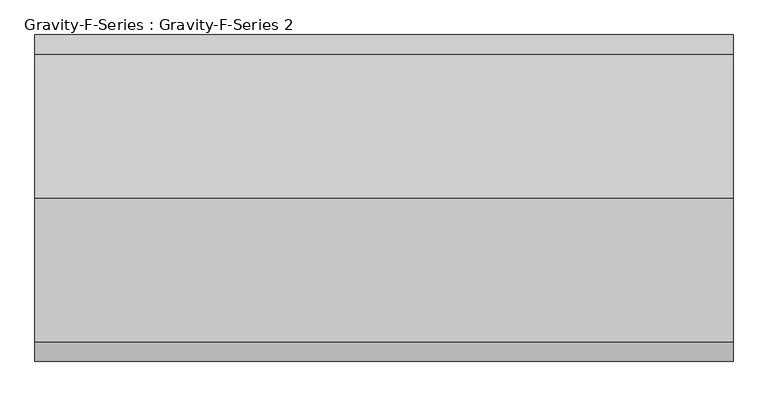
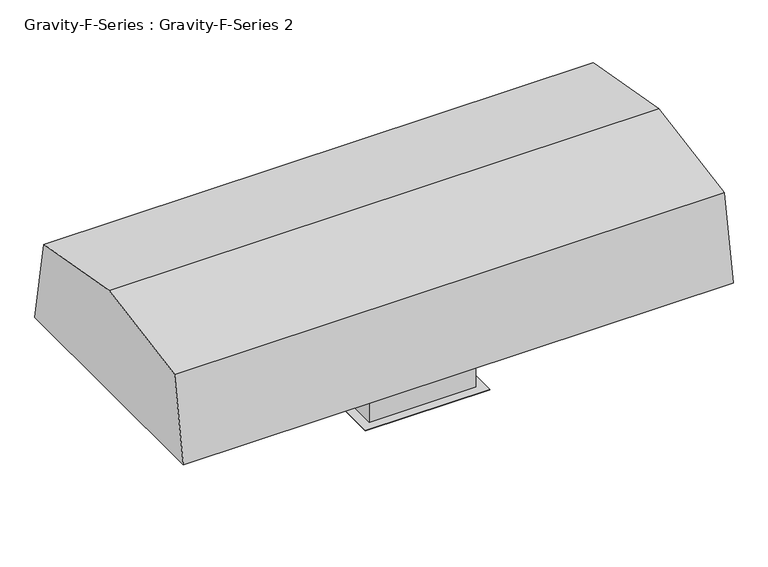
"""IFC4 building model written with IfcOpenShell, lengths in millimetres: proxy geometry, Gravity-F-Series : Gravity-F-Series 2."""

from ifc_helpers import new_model, si_unit, frame, origin, origin_with_axes, place, context, project, spatial, polyline, outline, extrude, faceted_brep, source, transform, mapped, element, save


def gravity_f_series_gravity_f_series_2_7aa4f40e(model_context):
    return source(origin(), model_context, "Body", "SolidModel", [
        faceted_brep([(253.0424473, 397.7765442, 298.45), (-356.5575527, 397.7765442, 298.45), (-356.5575527, -364.2234558, 298.45), (253.0424473, -364.2234558, 298.45), (-331.1575527, 372.3765442, 298.45), (227.6424473, 372.3765442, 298.45), (227.6424473, -335.6484558, 298.45), (-331.1575527, -335.6484558, 298.45), (253.0424473, 397.7765442, 0.0), (253.0424473, -364.2234558, 0.0), (-356.5575527, -364.2234558, 0.0), (-356.5575527, 397.7765442, 0.0), (249.8674473, -361.0484558, 0.0), (249.8674473, 394.9543219, 0.0), (-353.3825527, 394.9543219, 0.0), (-353.3825527, -361.0484558, 0.0), (253.0424473, 397.7765442, 273.05), (-356.5575527, 397.7765442, 273.05), (-356.5575527, -364.2234558, 273.05), (253.0424473, -364.2234558, 273.05), (249.8674473, -361.0484558, 273.05), (249.8674473, 394.9543219, 273.05), (-353.3825527, -361.0484558, 273.05), (-353.3825527, 394.9543219, 273.05), (-331.1575527, 372.3765442, 273.05), (-331.1575527, -335.6484558, 273.05), (227.6424473, -335.6484558, 273.05), (227.6424473, 372.3765442, 273.05)], [[[0, 1, 2, 3], [4, 5, 6, 7]], [[8, 9, 10, 11], [12, 13, 14, 15]], [[1, 0, 16, 8, 11, 17]], [[2, 1, 17, 11, 10, 18]], [[3, 2, 18, 10, 9, 19]], [[0, 3, 19, 9, 8, 16]], [[13, 12, 20, 21]], [[12, 15, 22, 20]], [[15, 14, 23, 22]], [[14, 13, 21, 23]], [[21, 20, 22, 23], [24, 25, 26, 27]], [[5, 4, 24, 27]], [[6, 5, 27, 26]], [[7, 6, 26, 25]], [[4, 7, 25, 24]]]),
        extrude(outline(polyline([(-407.3575527, -415.0234558), (-407.3575527, 448.5765442), (303.8424473, 448.5765442), (303.8424473, -415.0234558), (-407.3575527, -415.0234558)]), holes=[polyline([(-356.5575527, 397.7765442), (-356.5575527, -364.2234558), (253.0424473, -364.2234558), (253.0424473, 397.7765442), (-356.5575527, 397.7765442)])]), origin_with_axes(), (0.0, 0.0, 1.0), 3.175),
        faceted_brep([(265.7424473, 410.4765442, 304.8), (-369.2575527, 410.4765442, 304.8), (-369.2575527, -376.9234558, 304.8), (265.7424473, -376.9234558, 304.8), (265.7424473, 410.4765442, 260.35), (265.7424473, -376.9234558, 260.35), (-369.2575527, -376.9234558, 260.35), (-369.2575527, 410.4765442, 260.35), (262.5674473, -373.7484558, 260.35), (262.5674473, 407.3015442, 260.35), (-366.0825527, 407.3015442, 260.35), (-366.0825527, -373.7484558, 260.35), (262.5674473, 407.3015442, 301.625), (262.5674473, -373.7484558, 301.625), (-366.0825527, -373.7484558, 301.625), (-366.0825527, 407.3015442, 301.625)], [[[0, 1, 2, 3]], [[4, 5, 6, 7], [8, 9, 10, 11]], [[1, 0, 4, 7]], [[2, 1, 7, 6]], [[3, 2, 6, 5]], [[0, 3, 5, 4]], [[12, 13, 14, 15]], [[13, 12, 9, 8]], [[14, 13, 8, 11]], [[15, 14, 11, 10]], [[12, 15, 10, 9]]]),
        extrude(outline(polyline([(-719.8234558, 406.4), (-632.522002, 901.5111478), (16.7765442, 1016.0), (666.0750904, 901.5111478), (753.3765442, 406.4), (-719.8234558, 406.4)])), frame((-1626.5575527, 0.0, 0.0), z_axis=(1.0, 0.0, 0.0), x_axis=(0.0, 1.0, 0.0)), (0.0, 0.0, 1.0), 3149.6),
        extrude(outline(polyline([(1091.2424473, 321.5765442), (1091.2424473, -288.0234558), (-1194.7575527, -288.0234558), (-1194.7575527, 321.5765442), (1091.2424473, 321.5765442)])), frame((0.0, 0.0, 304.8), z_axis=(0.0, 0.0, 1.0), x_axis=(1.0, 0.0, 0.0)), (0.0, 0.0, 1.0), 101.6),
    ])


if __name__ == "__main__":
    model = new_model("IFC4")
    model_context = context("Model", 3, world=origin())
    ifc_project = project(units=[si_unit("LENGTHUNIT", "METRE", prefix="MILLI")], contexts=[model_context])
    site = spatial("IfcSite", under=ifc_project)
    building = spatial("IfcBuilding", under=site)
    placement = place(None, origin())
    gravity_f_series_gravity_f_series_2_shape = gravity_f_series_gravity_f_series_2_7aa4f40e(model_context)
    element("IfcBuildingElementProxy", 1, Name="Gravity-F-Series : Gravity-F-Series 2", ObjectType="Gravity-F-Series : Gravity-F-Series 2", at=placement, inside=building, context=model_context, shape_type="MappedRepresentation", body=[
        mapped(gravity_f_series_gravity_f_series_2_shape, transform((0.0, 0.0, 0.0), x_axis=(1.0, 0.0, 0.0), y_axis=(0.0, 1.0, 0.0), z_axis=(0.0, 0.0, 1.0))),
    ])
    save(model, "model.ifc")
